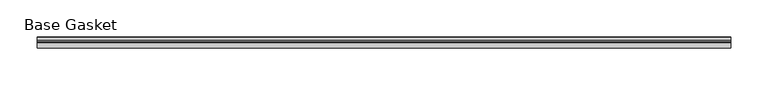
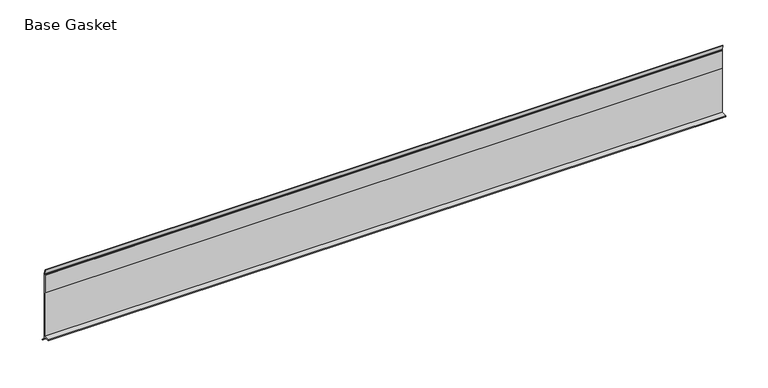
"""IFC4 building model written with IfcOpenShell, lengths in millimetres: furniture geometry, Base Gasket."""

from ifc_helpers import new_model, si_unit, frame, origin, place, context, project, spatial, polyline, outline, extrude, source, transform, mapped, element, save


def base_gasket_d89d8d56(model_context):
    return source(origin(), model_context, "Body", "SweptSolid", [
        extrude(outline(polyline([(3.7283812, 98.4568417), (3.7283812, 4.3498477), (7.4222115, 0.6560174), (7.8482342, 0.0), (6.8281054, 0.3520979), (2.2043812, 4.3498477), (2.1334222, 6.3818476), (-6.2405171, 6.3818476), (-6.2405171, 7.9398773), (2.2043812, 7.9398773), (2.2043812, 71.4693447), (1.4106313, 71.4693447), (1.4106313, 96.8693477), (2.2043812, 96.8693477), (2.2043812, 98.4568417), (0.6755308, 104.4162708), (0.6755308, 105.2002997), (1.1891543, 104.587663), (3.7283812, 98.4568417)])), frame((-1527.8982117, 0.0, 0.0), z_axis=(1.0, 0.0, 0.0), x_axis=(0.0, 1.0, 0.0)), (0.0, 0.0, 1.0), 925.1316603),
    ])


if __name__ == "__main__":
    model = new_model("IFC4")
    model_context = context("Model", 3, world=origin())
    ifc_project = project(units=[si_unit("LENGTHUNIT", "METRE", prefix="MILLI")], contexts=[model_context])
    site = spatial("IfcSite", under=ifc_project)
    building = spatial("IfcBuilding", under=site)
    placement = place(None, origin())
    base_gasket_shape = base_gasket_d89d8d56(model_context)
    element("IfcFurniture", 1, ObjectType="Base Gasket", at=placement, inside=building, context=model_context, shape_type="MappedRepresentation", body=[
        mapped(base_gasket_shape, transform((0.0, 0.0, 0.0), x_axis=(1.0, 0.0, 0.0), y_axis=(0.0, 1.0, 0.0), z_axis=(0.0, 0.0, 1.0))),
    ])
    save(model, "model.ifc")
